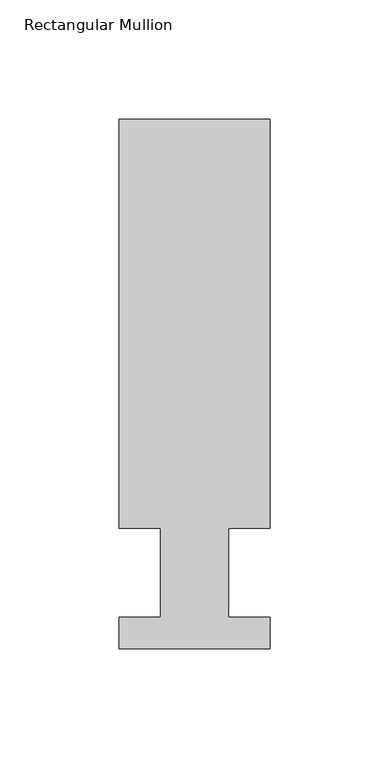
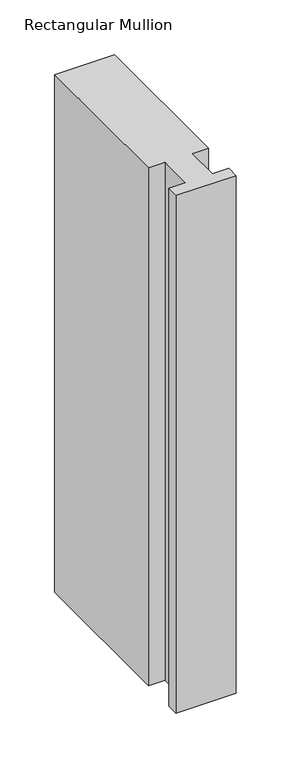
"""IFC4 building model written with IfcOpenShell, lengths in millimetres: member geometry, Rectangular Mullion."""

from ifc_helpers import new_model, si_unit, frame, origin, place, context, project, spatial, polyline, outline, extrude, source, transform, mapped, element, save


def rectangular_mullion_82196890(model_context):
    return source(origin(), model_context, "Body", "SweptSolid", [
        extrude(outline(polyline([(-63.5, 222.5381313), (-5e-07, 222.5381313), (-5e-07, 50.8091913), (-17.4625004, 50.8091913), (-17.4625004, 13.3834445), (0.0, 13.3834445), (0.0, 0.2008445), (-63.5, 0.2008445), (-63.5, 13.3834445), (-46.0248001, 13.3834445), (-46.0248001, 50.8091913), (-63.5, 50.8091913), (-63.5, 222.5381313)])), frame((0.0, 0.0, -577.8499996), z_axis=(0.0, 0.0, 1.0), x_axis=(1.0, 0.0, 0.0)), (0.0, 0.0, 1.0), 577.8499996),
    ])


if __name__ == "__main__":
    model = new_model("IFC4")
    model_context = context("Model", 3, world=origin())
    ifc_project = project(units=[si_unit("LENGTHUNIT", "METRE", prefix="MILLI")], contexts=[model_context])
    site = spatial("IfcSite", under=ifc_project)
    building = spatial("IfcBuilding", under=site)
    placement = place(None, origin())
    rectangular_mullion_shape = rectangular_mullion_82196890(model_context)
    element("IfcMember", 1, ObjectType="Rectangular Mullion", at=placement, inside=building, context=model_context, shape_type="MappedRepresentation", body=[
        mapped(rectangular_mullion_shape, transform((0.0, 0.0, 0.0), x_axis=(1.0, 0.0, 0.0), y_axis=(0.0, 1.0, 0.0), z_axis=(0.0, 0.0, 1.0))),
    ])
    save(model, "model.ifc")
